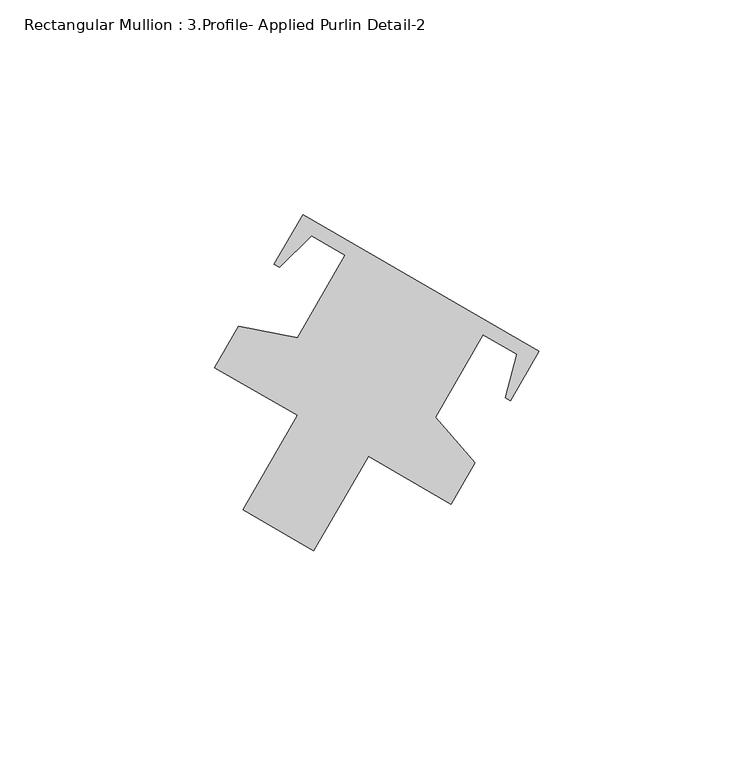
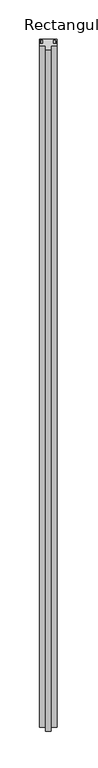
"""IFC4 building model written with IfcOpenShell, lengths in millimetres: member geometry, Rectangular Mullion : 3.Profile- Applied Purlin Detail-2."""

from ifc_helpers import new_model, si_unit, frame, origin, place, context, project, spatial, polyline, outline, extrude, source, transform, mapped, element, save


def rectangular_mullion_3_profile_applied_purlin_detail_2_794f71f6(model_context):
    return source(origin(), model_context, "Body", "SweptSolid", [
        extrude(outline(polyline([(-52.4647975, -43.2677268), (-68.9625815, -33.7427268), (-56.2625815, -11.7456815), (-75.5093361, -0.6335625), (-69.9455257, 9.0032399), (-56.2067526, 6.332693), (-45.1196526, 25.5361135), (-53.0173218, 30.095835), (-60.4405135, 22.6726433), (-61.6502474, 23.3710834), (-54.9926131, 34.9024441), (0.0, 3.1524441), (-6.6576342, -8.3789166), (-7.8673681, -7.6804764), (-5.1502913, 2.459792), (-13.0479606, 7.0195135), (-24.1350606, -12.183907), (-14.9529125, -22.7467601), (-20.516723, -32.3835625), (-39.7647975, -21.2706815), (-52.4647975, -43.2677268)])), frame((0.0, 0.0, -3048.0), z_axis=(0.0, 0.0, 1.0), x_axis=(1.0, 0.0, 0.0)), (0.0, 0.0, 1.0), 3048.0),
    ])


if __name__ == "__main__":
    model = new_model("IFC4")
    model_context = context("Model", 3, world=origin())
    ifc_project = project(units=[si_unit("LENGTHUNIT", "METRE", prefix="MILLI")], contexts=[model_context])
    site = spatial("IfcSite", under=ifc_project)
    building = spatial("IfcBuilding", under=site)
    placement = place(None, origin())
    rectangular_mullion_3_profile_applied_purlin_detail_2_shape = rectangular_mullion_3_profile_applied_purlin_detail_2_794f71f6(model_context)
    element("IfcMember", 1, ObjectType="Rectangular Mullion : 3.Profile- Applied Purlin Detail-2", at=placement, inside=building, context=model_context, shape_type="MappedRepresentation", body=[
        mapped(rectangular_mullion_3_profile_applied_purlin_detail_2_shape, transform((0.0, 0.0, 0.0), x_axis=(1.0, 0.0, 0.0), y_axis=(0.0, 1.0, 0.0), z_axis=(0.0, 0.0, 1.0))),
    ])
    save(model, "model.ifc")
